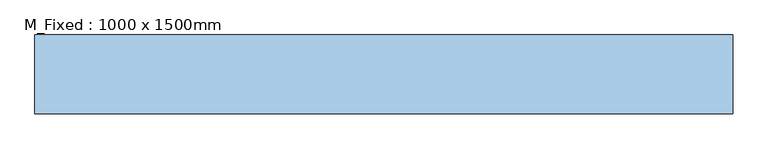
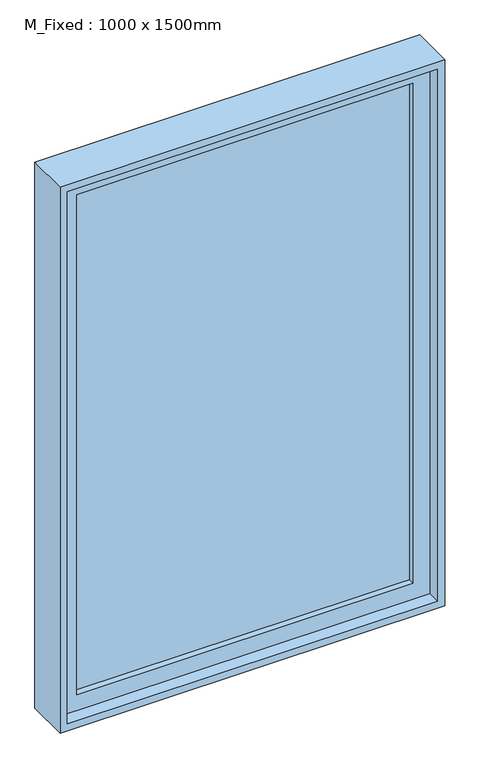
"""IFC4 building model written with IfcOpenShell, lengths in millimetres: window geometry, M_Fixed : 1000 x 1500mm."""

from ifc_helpers import new_model, si_unit, frame, origin, place, context, project, spatial, polyline, outline, extrude, source, transform, mapped, element, save


def m_fixed_1000_x_1500mm_8376aa02(model_context):
    return source(origin(), model_context, "Body", "SweptSolid", [
        extrude(outline(polyline([(-437.0, 1.0), (-437.0, 13.0), (437.0, 13.0), (437.0, 1.0), (-437.0, 1.0)])), frame((0.0, 0.0, 978.0), z_axis=(0.0, 0.0, 1.0), x_axis=(1.0, 0.0, 0.0)), (0.0, 0.0, 1.0), 1374.0),
        extrude(outline(polyline([(2396.0, -481.0), (934.0, -481.0), (934.0, 481.0), (2396.0, 481.0), (2396.0, -481.0)]), holes=[polyline([(2352.0, -437.0), (2352.0, 437.0), (978.0, 437.0), (978.0, -437.0), (2352.0, -437.0)])]), frame((0.0, -15.0, 0.0), z_axis=(0.0, 1.0, 0.0), x_axis=(0.0, 0.0, 1.0)), (0.0, 0.0, 1.0), 44.0),
        extrude(outline(polyline([(2415.0, -500.0), (915.0, -500.0), (915.0, 500.0), (2415.0, 500.0), (2415.0, -500.0)]), holes=[polyline([(2396.0, -481.0), (2396.0, 481.0), (934.0, 481.0), (934.0, -481.0), (2396.0, -481.0)])]), frame((0.0, -49.5, 0.0), z_axis=(0.0, 1.0, 0.0), x_axis=(0.0, 0.0, 1.0)), (0.0, 0.0, 1.0), 113.0),
    ])


if __name__ == "__main__":
    model = new_model("IFC4")
    model_context = context("Model", 3, world=origin())
    ifc_project = project(units=[si_unit("LENGTHUNIT", "METRE", prefix="MILLI")], contexts=[model_context])
    site = spatial("IfcSite", under=ifc_project)
    building = spatial("IfcBuilding", under=site)
    placement = place(None, origin())
    m_fixed_1000_x_1500mm_shape = m_fixed_1000_x_1500mm_8376aa02(model_context)
    element("IfcWindow", 1, ObjectType="M_Fixed : 1000 x 1500mm", at=placement, inside=building, context=model_context, shape_type="MappedRepresentation", body=[
        mapped(m_fixed_1000_x_1500mm_shape, transform((0.0, 0.0, 0.0), x_axis=(1.0, 0.0, 0.0), y_axis=(0.0, 1.0, 0.0), z_axis=(0.0, 0.0, 1.0))),
    ])
    save(model, "model.ifc")
